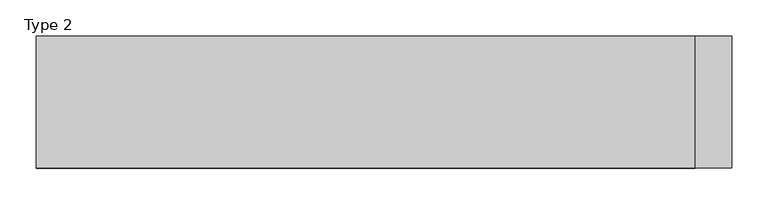
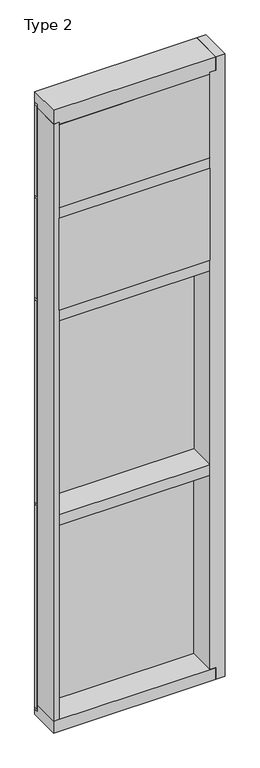
"""IFC4 building model written with IfcOpenShell, lengths in millimetres: plate geometry, Type 2."""

import ifcopenshell
import ifcopenshell.guid

model = None  # the IFC model being written
_history = None  # IfcOwnerHistory: only IFC2X3 demands one
_inside = {}  # id of a spatial element -> (the spatial element, [elements in it])
_under = {}  # id of a project, library or spatial element -> (it, [spatial elements below it])
_declared = {}  # id of a project -> (the project, [libraries it declares])
_typed = {}  # id of a type object -> (the type object, [elements of that type])
_made_of = {}  # id of a material, layer set ... -> (it, [elements and type objects made of it])


def new_model(schema):
    """Start an empty IFC model of exactly this schema.

    Asked for "IFC4X3", IfcOpenShell would pick the latest addendum, in which some entities
    have other attributes; the version numbers below select the first issue.
    IFC2X3 requires an IfcOwnerHistory on every rooted entity: one is made here for all.
    """
    global model, _history
    if schema == "IFC4X3":
        model = ifcopenshell.file(schema_version=(4, 3, 0, 0))
    else:
        model = ifcopenshell.file(schema=schema)
    _inside.clear()
    _under.clear()
    _declared.clear()
    _typed.clear()
    _made_of.clear()
    _history = None
    if model.schema == "IFC2X3":
        org = make("IfcOrganization", Name="unknown")
        user = make(
            "IfcPersonAndOrganization",
            ThePerson=make("IfcPerson", FamilyName="unknown"),
            TheOrganization=org,
        )
        app = make(
            "IfcApplication",
            ApplicationDeveloper=org,
            Version="unknown",
            ApplicationFullName="unknown",
            ApplicationIdentifier="unknown",
        )
        _history = make(
            "IfcOwnerHistory",
            OwningUser=user,
            OwningApplication=app,
            ChangeAction="ADDED",
            CreationDate=0,
        )
    return model


def make(cls, **values):
    """One entity of the class cls with the attributes given. An attribute that is None is left unset."""
    return model.create_entity(
        cls, **{name: value for name, value in values.items() if value is not None}
    )


def rooted(cls, **values):
    """An entity with a GlobalId (a new one), such as an element, a storey or a relation."""
    return make(cls, GlobalId=ifcopenshell.guid.new(), OwnerHistory=_history, **values)


def si_unit(unit_type, name, prefix=None):
    """IfcSIUnit, for example si_unit("LENGTHUNIT", "METRE", prefix="MILLI")."""
    return make("IfcSIUnit", UnitType=unit_type, Prefix=prefix, Name=name)


def assignment(units):
    """IfcUnitAssignment: the units of a project."""
    return None if units is None else make("IfcUnitAssignment", Units=units)


def point(xyz):
    """IfcCartesianPoint."""
    return None if xyz is None else make("IfcCartesianPoint", Coordinates=xyz)


def direction(xyz):
    """IfcDirection."""
    return None if xyz is None else make("IfcDirection", DirectionRatios=xyz)


def frame(location, z_axis=None, x_axis=None):
    """IfcAxis2Placement3D, a coordinate frame: its origin and axes. An axis left out is left unset."""
    return make(
        "IfcAxis2Placement3D",
        Location=point(location),
        Axis=direction(z_axis),
        RefDirection=direction(x_axis),
    )


def origin():
    """The frame at (0, 0, 0) with its axes left unset."""
    return frame((0.0, 0.0, 0.0))


def place(relative_to, where):
    """IfcLocalPlacement: puts the frame where relative to a parent placement (None: the world)."""
    return make(
        "IfcLocalPlacement", PlacementRelTo=relative_to, RelativePlacement=where
    )


def context(
    kind, dimensions, precision=None, world=None, true_north=None, identifier=None
):
    """IfcGeometricRepresentationContext, for example the 3D "Model" context."""
    return make(
        "IfcGeometricRepresentationContext",
        ContextIdentifier=identifier,
        ContextType=kind,
        CoordinateSpaceDimension=dimensions,
        Precision=precision,
        WorldCoordinateSystem=world,
        TrueNorth=true_north,
    )


def project(units=None, contexts=None):
    """IfcProject with its units and contexts."""
    return rooted(
        "IfcProject",
        Name="project",
        RepresentationContexts=contexts,
        UnitsInContext=assignment(units),
    )


def spatial(cls, under=None, at=None, **own):
    """A site, building, storey or space (cls), placed at a placement, below another one or the project."""
    s = rooted(cls, ObjectPlacement=at, **own)
    if under is not None:
        _under.setdefault(under.id(), (under, []))[1].append(s)
    return s


def polyline(points):
    """IfcPolyline through the points."""
    return make("IfcPolyline", Points=[point(p) for p in points])


def outline(outer, holes=None, kind="AREA"):
    """IfcArbitraryClosedProfileDef: a profile drawn as a closed curve; with holes, ...WithVoids."""
    if holes is None:
        return make("IfcArbitraryClosedProfileDef", ProfileType=kind, OuterCurve=outer)
    return make(
        "IfcArbitraryProfileDefWithVoids",
        ProfileType=kind,
        OuterCurve=outer,
        InnerCurves=holes,
    )


def extrude(swept, where, along, depth):
    """IfcExtrudedAreaSolid: the profile swept, set in the frame where, extruded along a direction by depth."""
    return make(
        "IfcExtrudedAreaSolid",
        SweptArea=swept,
        Position=where,
        ExtrudedDirection=direction(along),
        Depth=depth,
    )


def faces_of(points, faces, orient=None, outer=None):
    """IfcFace entities. A face is a list of loops; a loop is a list of indices into points, from 0.

    orient and outer hold one flag for each loop. By default every Orientation is true, the
    first loop of a face is its IfcFaceOuterBound and the others are IfcFaceBound.
    """
    made = []
    for i, loops in enumerate(faces):
        bounds = []
        for j, loop in enumerate(loops):
            is_outer = j == 0 if outer is None else outer[i][j]
            bounds.append(
                make(
                    "IfcFaceOuterBound" if is_outer else "IfcFaceBound",
                    Bound=make("IfcPolyLoop", Polygon=[points[k] for k in loop]),
                    Orientation=True if orient is None else orient[i][j],
                )
            )
        made.append(make("IfcFace", Bounds=bounds))
    return made


def faceted_brep(points, faces, orient=None, outer=None, voids=None):
    """IfcFacetedBrep: a solid bounded by flat faces; with voids (closed shells), ...WithVoids."""
    shared = [point(p) for p in points]
    hull = make("IfcClosedShell", CfsFaces=faces_of(shared, faces, orient, outer))
    if voids is None:
        return make("IfcFacetedBrep", Outer=hull)
    return make(
        "IfcFacetedBrepWithVoids",
        Outer=hull,
        Voids=[
            make(cls, CfsFaces=faces_of(shared, fs, o, b)) for cls, fs, o, b in voids
        ],
    )


def shape(context_of_items, identifier, shape_type, items):
    """IfcShapeRepresentation: the items that make up one representation, for example the "Body"."""
    return make(
        "IfcShapeRepresentation",
        ContextOfItems=context_of_items,
        RepresentationIdentifier=identifier,
        RepresentationType=shape_type,
        Items=items,
    )


def source(mapping_origin, context_of_items, identifier, shape_type, items):
    """IfcRepresentationMap: a shape defined once, which mapped items show again and again."""
    return make(
        "IfcRepresentationMap",
        MappingOrigin=mapping_origin,
        MappedRepresentation=shape(context_of_items, identifier, shape_type, items),
    )


def transform(
    local_origin,
    x_axis=None,
    y_axis=None,
    z_axis=None,
    scale=None,
    scale2=None,
    scale3=None,
    uniform=True,
):
    """IfcCartesianTransformationOperator3D, or its non-uniform kind. x_axis, y_axis, z_axis: its Axis1, 2, 3."""
    if uniform:
        return make(
            "IfcCartesianTransformationOperator3D",
            Axis1=direction(x_axis),
            Axis2=direction(y_axis),
            LocalOrigin=point(local_origin),
            Scale=scale,
            Axis3=direction(z_axis),
        )
    return make(
        "IfcCartesianTransformationOperator3DnonUniform",
        Axis1=direction(x_axis),
        Axis2=direction(y_axis),
        LocalOrigin=point(local_origin),
        Scale=scale,
        Axis3=direction(z_axis),
        Scale2=scale2,
        Scale3=scale3,
    )


def mapped(mapping_source, mapping_target):
    """IfcMappedItem: shows the shape of a source again, moved by a transform."""
    return make(
        "IfcMappedItem", MappingSource=mapping_source, MappingTarget=mapping_target
    )


def made_of(thing, what):
    """Note that an element or type object is made of a material, layer set ...; save() writes the relation."""
    if what is not None:
        _made_of.setdefault(what.id(), (what, []))[1].append(thing)
    return thing


def element(
    cls,
    number,
    at=None,
    inside=None,
    cuts=None,
    type_object=None,
    material=None,
    context=None,
    identifier="Body",
    shape_type=None,
    held_by="IfcProductDefinitionShape",
    body=None,
    shapes=None,
    **own,
):
    """One element of the class cls, such as IfcWall. Its Tag is "e" and its number.

    at: its placement. inside: the storey or other place that contains it. cuts: it is an
    opening in that element (IfcRelVoidsElement). A single representation is given by context,
    identifier, shape_type and body (its items); several are given by shapes. held_by: the class
    of the entity that holds the representations. save() writes the other relations.
    """
    e = rooted(cls, Tag="e%d" % number, ObjectPlacement=at, **own)
    if body is not None:
        shapes = [shape(context, identifier, shape_type, body)]
    if shapes is not None:
        e.Representation = make(held_by, Representations=shapes)
    if inside is not None:
        _inside.setdefault(inside.id(), (inside, []))[1].append(e)
    if cuts is not None:
        rooted(
            "IfcRelVoidsElement", RelatingBuildingElement=cuts, RelatedOpeningElement=e
        )
    if type_object is not None:
        _typed.setdefault(type_object.id(), (type_object, []))[1].append(e)
    return made_of(e, material)


def aggregate(whole, parts):
    """IfcRelAggregates: a whole, such as a stair, and the parts it consists of."""
    return rooted("IfcRelAggregates", RelatingObject=whole, RelatedObjects=parts)


def save(model, path):
    """Write the relations noted so far, then the file.

    IfcRelAggregates (storeys below a building ...), IfcRelContainedInSpatialStructure (elements
    in a storey), IfcRelDefinesByType, IfcRelAssociatesMaterial and IfcRelDeclares: one each for
    every whole, place, type object, material and project.
    """
    for whole, parts in _under.values():
        aggregate(whole, parts)
    for where, things in _inside.values():
        rooted(
            "IfcRelContainedInSpatialStructure",
            RelatedElements=things,
            RelatingStructure=where,
        )
    for kind, things in _typed.values():
        rooted("IfcRelDefinesByType", RelatedObjects=things, RelatingType=kind)
    for what, things in _made_of.values():
        rooted("IfcRelAssociatesMaterial", RelatedObjects=things, RelatingMaterial=what)
    for by, libraries in _declared.values():
        rooted("IfcRelDeclares", RelatingContext=by, RelatedDefinitions=libraries)
    model.write(path)


def type_2_1d1cbacf(model_context):
    return source(origin(), model_context, "Body", "SolidModel", [
        extrude(outline(polyline([(457.3130925, 27.6881517), (457.3130925, 11.2982336), (444.6141817, 11.2982336), (444.6141817, 27.6881517), (457.3130925, 27.6881517)])), frame((0.0, 0.0, 1225.55), z_axis=(0.0, 0.0, 1.0), x_axis=(1.0, 0.0, 0.0)), (0.0, 0.0, 1.0), 1206.5),
        extrude(outline(polyline([(-444.6141817, 27.6881517), (-444.6141817, 11.2982336), (-457.3130925, 11.2982336), (-457.3130925, 27.6881517), (-444.6141817, 27.6881517)])), frame((0.0, 0.0, 1225.55), z_axis=(0.0, 0.0, 1.0), x_axis=(1.0, 0.0, 0.0)), (0.0, 0.0, 1.0), 1206.5),
        extrude(outline(polyline([(444.6141817, 27.686), (444.6141817, 2.286), (-444.6141817, 2.286), (-444.6141817, 27.686), (444.6141817, 27.686)])), frame((0.0, 0.0, 1225.55), z_axis=(0.0, 0.0, 1.0), x_axis=(1.0, 0.0, 0.0)), (0.0, 0.0, 1.0), 1206.5),
        extrude(outline(polyline([(457.3130925, 27.686), (457.3130925, 6.35), (-457.3130925, 6.35), (-457.3130925, 27.686), (457.3130925, 27.686)])), frame((0.0, 0.0, 2432.05), z_axis=(0.0, 0.0, 1.0), x_axis=(1.0, 0.0, 0.0)), (0.0, 0.0, 1.0), 12.7),
        extrude(outline(polyline([(425.5641817, -48.6409999), (425.5641817, -156.32684), (-425.5630925, -156.32684), (-425.5630925, -48.6409999), (425.5641817, -48.6409999)])), frame((0.0, 0.0, 2470.15), z_axis=(0.0, 0.0, 1.0), x_axis=(1.0, 0.0, 0.0)), (0.0, 0.0, 1.0), 546.1993556),
        extrude(outline(polyline([(457.3130925, 27.686), (457.3130925, 6.35), (-457.3130925, 6.35), (-457.3130925, 27.686), (457.3130925, 27.686)])), frame((0.0, 0.0, 3041.65), z_axis=(0.0, 0.0, 1.0), x_axis=(1.0, 0.0, 0.0)), (0.0, 0.0, 1.0), 12.7),
        extrude(outline(polyline([(457.3130925, 27.6881517), (457.3130925, 11.2982336), (444.6141817, 11.2982336), (444.6141817, 27.6881517), (457.3130925, 27.6881517)])), frame((0.0, 0.0, 2444.75), z_axis=(0.0, 0.0, 1.0), x_axis=(1.0, 0.0, 0.0)), (0.0, 0.0, 1.0), 596.9),
        extrude(outline(polyline([(-444.6141817, 27.6881517), (-444.6141817, 11.2982336), (-457.3130925, 11.2982336), (-457.3130925, 27.6881517), (-444.6141817, 27.6881517)])), frame((0.0, 0.0, 2444.75), z_axis=(0.0, 0.0, 1.0), x_axis=(1.0, 0.0, 0.0)), (0.0, 0.0, 1.0), 596.9),
        extrude(outline(polyline([(444.6141817, 27.686), (444.6141817, 2.286), (-444.6141817, 2.286), (-444.6141817, 27.686), (444.6141817, 27.686)])), frame((0.0, 0.0, 2444.75), z_axis=(0.0, 0.0, 1.0), x_axis=(1.0, 0.0, 0.0)), (0.0, 0.0, 1.0), 596.9),
        extrude(outline(polyline([(-457.3130925, -155.9814), (-457.3130925, 2.286), (-425.5630925, 2.286), (-425.5630925, -155.9814), (-457.3130925, -155.9814)])), frame((0.0, 0.0, 31.75), z_axis=(0.0, 0.0, 1.0), x_axis=(1.0, 0.0, 0.0)), (0.0, 0.0, 1.0), 3556.0),
        faceted_brep([(508.1130925, 27.686, 3670.3), (508.1130925, -155.9814, 3670.3), (508.1130925, -155.9814, -38.1), (508.1130925, 27.686, -38.1), (457.3130925, 2.286, 3587.75), (425.5630925, 2.286, 3587.75), (425.5630925, -155.9814, 3587.75), (457.3130925, -155.9814, 3587.75), (457.3130925, 27.686, 3670.3), (457.3130925, -155.9814, 3670.3), (457.3130925, -155.9814, -38.1), (457.3130925, 27.686, -38.1), (425.5630925, -155.9814, 31.75), (457.3130925, -155.9814, 31.75), (457.3130925, 2.286, 31.75), (425.5630925, 2.286, 31.75)], [[[0, 1, 2, 3]], [[4, 5, 6, 7]], [[1, 0, 8, 9]], [[2, 10, 11, 3]], [[1, 9, 7, 6, 12, 13, 10, 2]], [[9, 8, 11, 10, 13, 14, 4, 7]], [[8, 0, 3, 11]], [[13, 12, 15, 14]], [[6, 5, 15, 12]], [[5, 4, 14, 15]]]),
        extrude(outline(polyline([(425.5641817, -48.6409999), (425.5641817, -156.32684), (-425.5630925, -156.32684), (-425.5630925, -48.6409999), (425.5641817, -48.6409999)])), frame((0.0, 0.0, 3079.75), z_axis=(0.0, 0.0, 1.0), x_axis=(1.0, 0.0, 0.0)), (0.0, 0.0, 1.0), 495.3984372),
        extrude(outline(polyline([(457.3130925, 27.686), (457.3130925, 6.35), (-457.3130925, 6.35), (-457.3130925, 27.686), (457.3130925, 27.686)])), frame((0.0, 0.0, 3594.1), z_axis=(0.0, 0.0, 1.0), x_axis=(1.0, 0.0, 0.0)), (0.0, 0.0, 1.0), 12.7),
        extrude(outline(polyline([(457.3130925, 27.6881517), (457.3130925, 11.2982336), (444.6141817, 11.2982336), (444.6141817, 27.6881517), (457.3130925, 27.6881517)])), frame((0.0, 0.0, 3054.35), z_axis=(0.0, 0.0, 1.0), x_axis=(1.0, 0.0, 0.0)), (0.0, 0.0, 1.0), 539.75),
        extrude(outline(polyline([(-444.6141817, 27.6881517), (-444.6141817, 11.2982336), (-457.3130925, 11.2982336), (-457.3130925, 27.6881517), (-444.6141817, 27.6881517)])), frame((0.0, 0.0, 3054.35), z_axis=(0.0, 0.0, 1.0), x_axis=(1.0, 0.0, 0.0)), (0.0, 0.0, 1.0), 539.75),
        extrude(outline(polyline([(444.6141817, 27.686), (444.6141817, 2.286), (-444.6141817, 2.286), (-444.6141817, 27.686), (444.6141817, 27.686)])), frame((0.0, 0.0, 3054.35), z_axis=(0.0, 0.0, 1.0), x_axis=(1.0, 0.0, 0.0)), (0.0, 0.0, 1.0), 539.75),
        extrude(outline(polyline([(457.3130925, 27.6881517), (457.3130925, 11.2982336), (444.6141817, 11.2982336), (444.6141817, 27.6881517), (457.3130925, 27.6881517)])), frame((0.0, 0.0, 6.35), z_axis=(0.0, 0.0, 1.0), x_axis=(1.0, 0.0, 0.0)), (0.0, 0.0, 1.0), 1206.5),
        extrude(outline(polyline([(-444.6141817, 27.6881517), (-444.6141817, 11.2982336), (-457.3130925, 11.2982336), (-457.3130925, 27.6881517), (-444.6141817, 27.6881517)])), frame((0.0, 0.0, 6.35), z_axis=(0.0, 0.0, 1.0), x_axis=(1.0, 0.0, 0.0)), (0.0, 0.0, 1.0), 1206.5),
        extrude(outline(polyline([(444.6141817, 27.686), (444.6141817, 2.286), (-444.6141817, 2.286), (-444.6141817, 27.686), (444.6141817, 27.686)])), frame((0.0, 0.0, 6.35), z_axis=(0.0, 0.0, 1.0), x_axis=(1.0, 0.0, 0.0)), (0.0, 0.0, 1.0), 1206.5),
        extrude(outline(polyline([(457.3130925, 27.686), (457.3130925, 6.35), (-457.3130925, 6.35), (-457.3130925, 27.686), (457.3130925, 27.686)])), frame((0.0, 0.0, 1212.85), z_axis=(0.0, 0.0, 1.0), x_axis=(1.0, 0.0, 0.0)), (0.0, 0.0, 1.0), 12.7),
        extrude(outline(polyline([(-425.5630925, -155.4734), (-425.5630925, 2.286), (425.5630925, 2.286), (425.5630925, -155.4734), (-425.5630925, -155.4734)])), frame((0.0, 0.0, 1187.45), z_axis=(0.0, 0.0, 1.0), x_axis=(1.0, 0.0, 0.0)), (0.0, 0.0, 1.0), 63.5),
        extrude(outline(polyline([(-425.5630925, -155.4734), (-425.5630925, 2.286), (425.5630925, 2.286), (425.5630925, -155.4734), (-425.5630925, -155.4734)])), frame((0.0, 0.0, 2406.65), z_axis=(0.0, 0.0, 1.0), x_axis=(1.0, 0.0, 0.0)), (0.0, 0.0, 1.0), 63.5),
        extrude(outline(polyline([(-457.3130925, 5.0946564), (-457.3130925, 27.6881517), (457.3130925, 27.6881517), (457.3130925, 5.0946564), (-457.3130925, 5.0946564)])), frame((0.0, 0.0, -6.2984797), z_axis=(0.0, 0.0, 1.0), x_axis=(1.0, 0.0, 0.0)), (0.0, 0.0, 1.0), 12.6484797),
        extrude(outline(polyline([(27.686, 3670.3), (27.686, 3606.8000642), (2.286, 3606.8000642), (2.286, 3575.0500939), (-155.4734, 3575.0500939), (-155.4734, 3670.3), (27.686, 3670.3)])), frame((-457.3130925, 0.0, 0.0), z_axis=(1.0, 0.0, 0.0), x_axis=(0.0, 1.0, 0.0)), (0.0, 0.0, 1.0), 914.6261849),
        extrude(outline(polyline([(-425.5630925, -155.4734), (-425.5630925, 2.2859999), (425.5630925, 2.2859999), (425.5630925, -155.4734), (-425.5630925, -155.4734)])), frame((0.0, 0.0, 3016.25), z_axis=(0.0, 0.0, 1.0), x_axis=(1.0, 0.0, 0.0)), (0.0, 0.0, 1.0), 63.5),
        extrude(outline(polyline([(2.2859999, 31.75), (2.2859999, -6.2983857), (27.6858239, -6.2983857), (27.6858239, -38.1), (-155.6004, -38.1), (-155.6004, 31.75), (2.2859999, 31.75)])), frame((-457.3130925, 0.0, 0.0), z_axis=(1.0, 0.0, 0.0), x_axis=(0.0, 1.0, 0.0)), (0.0, 0.0, 1.0), 914.6261849),
    ])


if __name__ == "__main__":
    model = new_model("IFC4")
    model_context = context("Model", 3, world=origin())
    ifc_project = project(units=[si_unit("LENGTHUNIT", "METRE", prefix="MILLI")], contexts=[model_context])
    site = spatial("IfcSite", under=ifc_project)
    building = spatial("IfcBuilding", under=site)
    placement = place(None, origin())
    type_2_shape = type_2_1d1cbacf(model_context)
    element("IfcPlate", 1, ObjectType="Type 2", at=placement, inside=building, context=model_context, shape_type="MappedRepresentation", body=[
        mapped(type_2_shape, transform((0.0, 0.0, 0.0), x_axis=(1.0, 0.0, 0.0), y_axis=(0.0, 1.0, 0.0), z_axis=(0.0, 0.0, 1.0))),
    ])
    save(model, "model.ifc")
